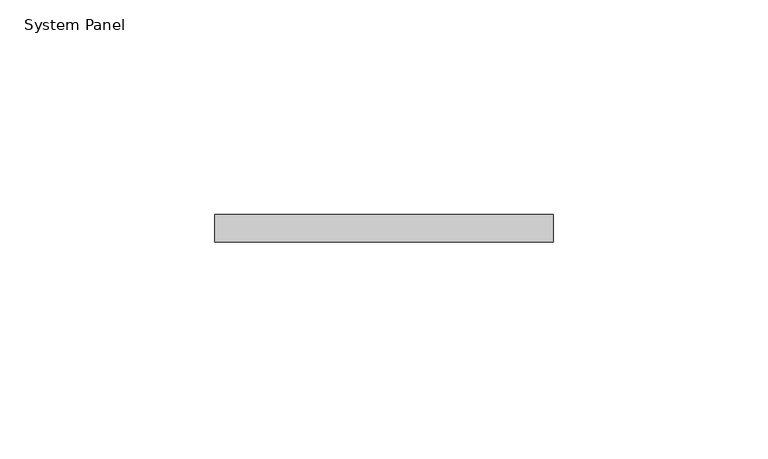
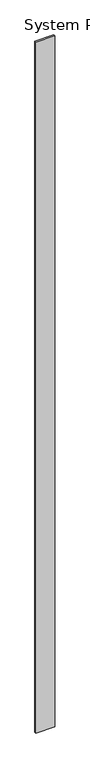
"""IFC4 building model written with IfcOpenShell, lengths in millimetres: plate geometry, System Panel."""

from ifc_helpers import new_model, si_unit, origin, origin_with_axes, place, context, project, spatial, polyline, outline, extrude, source, transform, mapped, element, save


def system_panel_9a860308(model_context):
    return source(origin(), model_context, "Body", "SweptSolid", [
        extrude(outline(polyline([(39.3658107, -6.35), (-39.3658107, -6.35), (-39.3658107, 0.0), (39.3658107, 0.0), (39.3658107, -6.35)])), origin_with_axes(), (0.0, 0.0, 1.0), 3048.0),
    ])


if __name__ == "__main__":
    model = new_model("IFC4")
    model_context = context("Model", 3, world=origin())
    ifc_project = project(units=[si_unit("LENGTHUNIT", "METRE", prefix="MILLI")], contexts=[model_context])
    site = spatial("IfcSite", under=ifc_project)
    building = spatial("IfcBuilding", under=site)
    placement = place(None, origin())
    system_panel_shape = system_panel_9a860308(model_context)
    element("IfcPlate", 1, ObjectType="System Panel", at=placement, inside=building, context=model_context, shape_type="MappedRepresentation", body=[
        mapped(system_panel_shape, transform((0.0, 0.0, 0.0), x_axis=(1.0, 0.0, 0.0), y_axis=(0.0, 1.0, 0.0), z_axis=(0.0, 0.0, 1.0))),
    ])
    save(model, "model.ifc")
